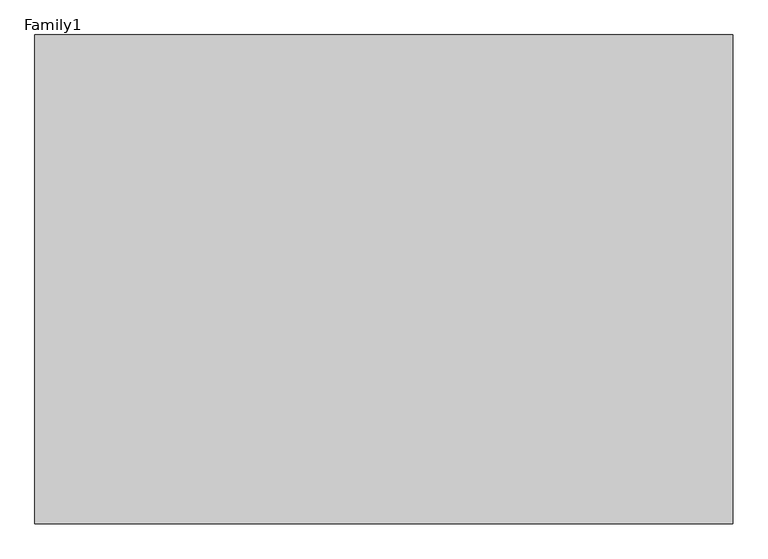
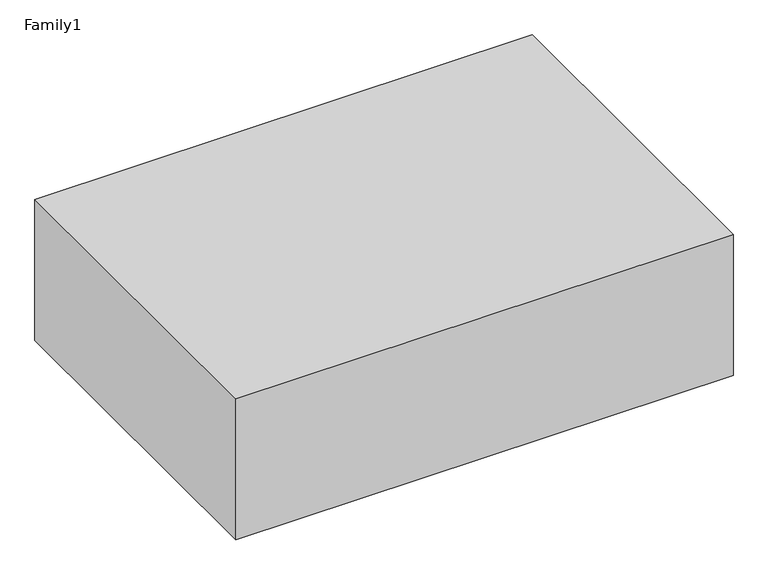
"""IFC4 building model written with IfcOpenShell, lengths in millimetres: proxy geometry, Family1."""

import ifcopenshell
import ifcopenshell.guid

model = None  # the IFC model being written
_history = None  # IfcOwnerHistory: only IFC2X3 demands one
_inside = {}  # id of a spatial element -> (the spatial element, [elements in it])
_under = {}  # id of a project, library or spatial element -> (it, [spatial elements below it])
_declared = {}  # id of a project -> (the project, [libraries it declares])
_typed = {}  # id of a type object -> (the type object, [elements of that type])
_made_of = {}  # id of a material, layer set ... -> (it, [elements and type objects made of it])


def new_model(schema):
    """Start an empty IFC model of exactly this schema.

    Asked for "IFC4X3", IfcOpenShell would pick the latest addendum, in which some entities
    have other attributes; the version numbers below select the first issue.
    IFC2X3 requires an IfcOwnerHistory on every rooted entity: one is made here for all.
    """
    global model, _history
    if schema == "IFC4X3":
        model = ifcopenshell.file(schema_version=(4, 3, 0, 0))
    else:
        model = ifcopenshell.file(schema=schema)
    _inside.clear()
    _under.clear()
    _declared.clear()
    _typed.clear()
    _made_of.clear()
    _history = None
    if model.schema == "IFC2X3":
        org = make("IfcOrganization", Name="unknown")
        user = make(
            "IfcPersonAndOrganization",
            ThePerson=make("IfcPerson", FamilyName="unknown"),
            TheOrganization=org,
        )
        app = make(
            "IfcApplication",
            ApplicationDeveloper=org,
            Version="unknown",
            ApplicationFullName="unknown",
            ApplicationIdentifier="unknown",
        )
        _history = make(
            "IfcOwnerHistory",
            OwningUser=user,
            OwningApplication=app,
            ChangeAction="ADDED",
            CreationDate=0,
        )
    return model


def make(cls, **values):
    """One entity of the class cls with the attributes given. An attribute that is None is left unset."""
    return model.create_entity(
        cls, **{name: value for name, value in values.items() if value is not None}
    )


def rooted(cls, **values):
    """An entity with a GlobalId (a new one), such as an element, a storey or a relation."""
    return make(cls, GlobalId=ifcopenshell.guid.new(), OwnerHistory=_history, **values)


def si_unit(unit_type, name, prefix=None):
    """IfcSIUnit, for example si_unit("LENGTHUNIT", "METRE", prefix="MILLI")."""
    return make("IfcSIUnit", UnitType=unit_type, Prefix=prefix, Name=name)


def assignment(units):
    """IfcUnitAssignment: the units of a project."""
    return None if units is None else make("IfcUnitAssignment", Units=units)


def point(xyz):
    """IfcCartesianPoint."""
    return None if xyz is None else make("IfcCartesianPoint", Coordinates=xyz)


def direction(xyz):
    """IfcDirection."""
    return None if xyz is None else make("IfcDirection", DirectionRatios=xyz)


def frame(location, z_axis=None, x_axis=None):
    """IfcAxis2Placement3D, a coordinate frame: its origin and axes. An axis left out is left unset."""
    return make(
        "IfcAxis2Placement3D",
        Location=point(location),
        Axis=direction(z_axis),
        RefDirection=direction(x_axis),
    )


def origin():
    """The frame at (0, 0, 0) with its axes left unset."""
    return frame((0.0, 0.0, 0.0))


def place(relative_to, where):
    """IfcLocalPlacement: puts the frame where relative to a parent placement (None: the world)."""
    return make(
        "IfcLocalPlacement", PlacementRelTo=relative_to, RelativePlacement=where
    )


def context(
    kind, dimensions, precision=None, world=None, true_north=None, identifier=None
):
    """IfcGeometricRepresentationContext, for example the 3D "Model" context."""
    return make(
        "IfcGeometricRepresentationContext",
        ContextIdentifier=identifier,
        ContextType=kind,
        CoordinateSpaceDimension=dimensions,
        Precision=precision,
        WorldCoordinateSystem=world,
        TrueNorth=true_north,
    )


def project(units=None, contexts=None):
    """IfcProject with its units and contexts."""
    return rooted(
        "IfcProject",
        Name="project",
        RepresentationContexts=contexts,
        UnitsInContext=assignment(units),
    )


def spatial(cls, under=None, at=None, **own):
    """A site, building, storey or space (cls), placed at a placement, below another one or the project."""
    s = rooted(cls, ObjectPlacement=at, **own)
    if under is not None:
        _under.setdefault(under.id(), (under, []))[1].append(s)
    return s


def polyline(points):
    """IfcPolyline through the points."""
    return make("IfcPolyline", Points=[point(p) for p in points])


def outline(outer, holes=None, kind="AREA"):
    """IfcArbitraryClosedProfileDef: a profile drawn as a closed curve; with holes, ...WithVoids."""
    if holes is None:
        return make("IfcArbitraryClosedProfileDef", ProfileType=kind, OuterCurve=outer)
    return make(
        "IfcArbitraryProfileDefWithVoids",
        ProfileType=kind,
        OuterCurve=outer,
        InnerCurves=holes,
    )


def extrude(swept, where, along, depth):
    """IfcExtrudedAreaSolid: the profile swept, set in the frame where, extruded along a direction by depth."""
    return make(
        "IfcExtrudedAreaSolid",
        SweptArea=swept,
        Position=where,
        ExtrudedDirection=direction(along),
        Depth=depth,
    )


def shape(context_of_items, identifier, shape_type, items):
    """IfcShapeRepresentation: the items that make up one representation, for example the "Body"."""
    return make(
        "IfcShapeRepresentation",
        ContextOfItems=context_of_items,
        RepresentationIdentifier=identifier,
        RepresentationType=shape_type,
        Items=items,
    )


def source(mapping_origin, context_of_items, identifier, shape_type, items):
    """IfcRepresentationMap: a shape defined once, which mapped items show again and again."""
    return make(
        "IfcRepresentationMap",
        MappingOrigin=mapping_origin,
        MappedRepresentation=shape(context_of_items, identifier, shape_type, items),
    )


def transform(
    local_origin,
    x_axis=None,
    y_axis=None,
    z_axis=None,
    scale=None,
    scale2=None,
    scale3=None,
    uniform=True,
):
    """IfcCartesianTransformationOperator3D, or its non-uniform kind. x_axis, y_axis, z_axis: its Axis1, 2, 3."""
    if uniform:
        return make(
            "IfcCartesianTransformationOperator3D",
            Axis1=direction(x_axis),
            Axis2=direction(y_axis),
            LocalOrigin=point(local_origin),
            Scale=scale,
            Axis3=direction(z_axis),
        )
    return make(
        "IfcCartesianTransformationOperator3DnonUniform",
        Axis1=direction(x_axis),
        Axis2=direction(y_axis),
        LocalOrigin=point(local_origin),
        Scale=scale,
        Axis3=direction(z_axis),
        Scale2=scale2,
        Scale3=scale3,
    )


def mapped(mapping_source, mapping_target):
    """IfcMappedItem: shows the shape of a source again, moved by a transform."""
    return make(
        "IfcMappedItem", MappingSource=mapping_source, MappingTarget=mapping_target
    )


def made_of(thing, what):
    """Note that an element or type object is made of a material, layer set ...; save() writes the relation."""
    if what is not None:
        _made_of.setdefault(what.id(), (what, []))[1].append(thing)
    return thing


def element(
    cls,
    number,
    at=None,
    inside=None,
    cuts=None,
    type_object=None,
    material=None,
    context=None,
    identifier="Body",
    shape_type=None,
    held_by="IfcProductDefinitionShape",
    body=None,
    shapes=None,
    **own,
):
    """One element of the class cls, such as IfcWall. Its Tag is "e" and its number.

    at: its placement. inside: the storey or other place that contains it. cuts: it is an
    opening in that element (IfcRelVoidsElement). A single representation is given by context,
    identifier, shape_type and body (its items); several are given by shapes. held_by: the class
    of the entity that holds the representations. save() writes the other relations.
    """
    e = rooted(cls, Tag="e%d" % number, ObjectPlacement=at, **own)
    if body is not None:
        shapes = [shape(context, identifier, shape_type, body)]
    if shapes is not None:
        e.Representation = make(held_by, Representations=shapes)
    if inside is not None:
        _inside.setdefault(inside.id(), (inside, []))[1].append(e)
    if cuts is not None:
        rooted(
            "IfcRelVoidsElement", RelatingBuildingElement=cuts, RelatedOpeningElement=e
        )
    if type_object is not None:
        _typed.setdefault(type_object.id(), (type_object, []))[1].append(e)
    return made_of(e, material)


def aggregate(whole, parts):
    """IfcRelAggregates: a whole, such as a stair, and the parts it consists of."""
    return rooted("IfcRelAggregates", RelatingObject=whole, RelatedObjects=parts)


def save(model, path):
    """Write the relations noted so far, then the file.

    IfcRelAggregates (storeys below a building ...), IfcRelContainedInSpatialStructure (elements
    in a storey), IfcRelDefinesByType, IfcRelAssociatesMaterial and IfcRelDeclares: one each for
    every whole, place, type object, material and project.
    """
    for whole, parts in _under.values():
        aggregate(whole, parts)
    for where, things in _inside.values():
        rooted(
            "IfcRelContainedInSpatialStructure",
            RelatedElements=things,
            RelatingStructure=where,
        )
    for kind, things in _typed.values():
        rooted("IfcRelDefinesByType", RelatedObjects=things, RelatingType=kind)
    for what, things in _made_of.values():
        rooted("IfcRelAssociatesMaterial", RelatedObjects=things, RelatingMaterial=what)
    for by, libraries in _declared.values():
        rooted("IfcRelDeclares", RelatingContext=by, RelatedDefinitions=libraries)
    model.write(path)


def family1_e3b4f19f(model_context):
    return source(origin(), model_context, "Body", "SweptSolid", [
        extrude(outline(polyline([(1000.0, 0.0), (0.0, 0.0), (0.0, 700.0), (1000.0, 700.0), (1000.0, 0.0)])), frame((0.0, 0.0, 33200.0), z_axis=(0.0, 0.0, 1.0), x_axis=(1.0, 0.0, 0.0)), (0.0, 0.0, 1.0), 300.0),
    ])


if __name__ == "__main__":
    model = new_model("IFC4")
    model_context = context("Model", 3, world=origin())
    ifc_project = project(units=[si_unit("LENGTHUNIT", "METRE", prefix="MILLI")], contexts=[model_context])
    site = spatial("IfcSite", under=ifc_project)
    building = spatial("IfcBuilding", under=site)
    placement = place(None, origin())
    family1_shape = family1_e3b4f19f(model_context)
    element("IfcBuildingElementProxy", 1, Name="Family1", ObjectType="Family1", at=placement, inside=building, context=model_context, shape_type="MappedRepresentation", body=[
        mapped(family1_shape, transform((0.0, 0.0, 0.0), x_axis=(1.0, 0.0, 0.0), y_axis=(0.0, 1.0, 0.0), z_axis=(0.0, 0.0, 1.0))),
    ])
    save(model, "model.ifc")
